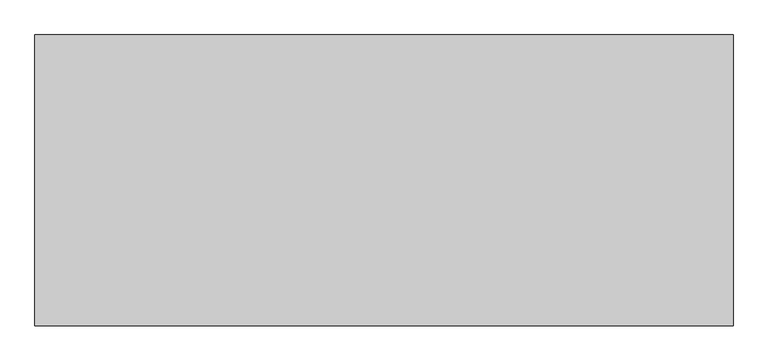
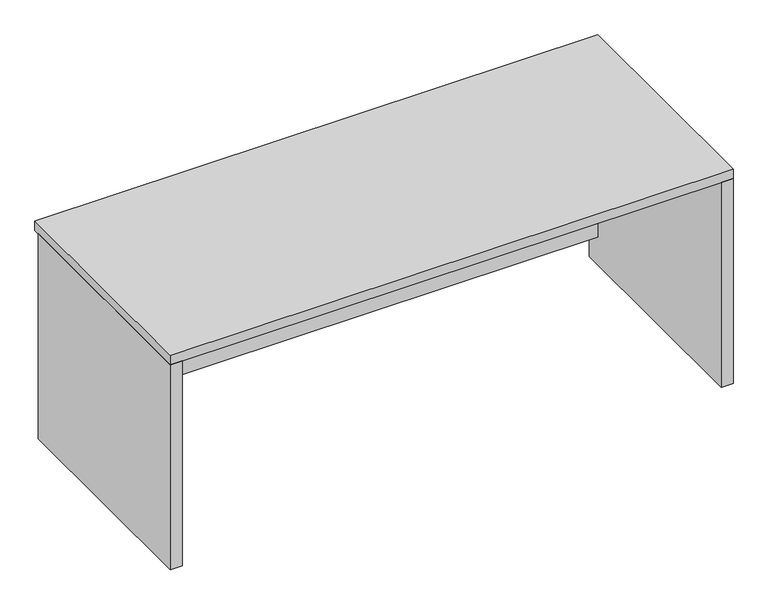
"""IFC4 building model written with IfcOpenShell, lengths in millimetres: furniture geometry."""

from ifc_helpers import new_model, si_unit, frame, origin, origin_with_axes, place, context, project, spatial, polyline, outline, extrude, source, transform, mapped, element, save


def furniture_e28d7493(model_context):
    return source(origin(), model_context, "Body", "SweptSolid", [
        extrude(outline(polyline([(1613.69375, -292.1), (1613.69375, -321.46875), (-137.31875, -321.46875), (-137.31875, -292.1), (1613.69375, -292.1)])), frame((0.0, 0.0, 95.25), z_axis=(0.0, 0.0, 1.0), x_axis=(1.0, 0.0, 0.0)), (0.0, 0.0, 1.0), 273.05),
        extrude(outline(polyline([(1613.69375, -292.1), (1613.69375, -321.46875), (-137.31875, -321.46875), (-137.31875, -292.1), (1613.69375, -292.1)])), frame((0.0, 0.0, 368.3), z_axis=(0.0, 0.0, 1.0), x_axis=(1.0, 0.0, 0.0)), (0.0, 0.0, 1.0), 273.05),
        extrude(outline(polyline([(1652.5875, -273.05), (1652.5875, -1016.0), (1613.69375, -1016.0), (1613.69375, -273.05), (1652.5875, -273.05)])), origin_with_axes(), (0.0, 0.0, 1.0), 704.85),
        extrude(outline(polyline([(-137.31875, -273.05), (-137.31875, -1016.0), (-176.2125, -1016.0), (-176.2125, -273.05), (-137.31875, -273.05)])), origin_with_axes(), (0.0, 0.0, 1.0), 704.85),
        extrude(outline(polyline([(1652.5875, -254.0), (1652.5875, -1016.0), (-176.2125, -1016.0), (-176.2125, -254.0), (1652.5875, -254.0)])), frame((0.0, 0.0, 704.85), z_axis=(0.0, 0.0, 1.0), x_axis=(1.0, 0.0, 0.0)), (0.0, 0.0, 1.0), 31.75),
    ])


if __name__ == "__main__":
    model = new_model("IFC4")
    model_context = context("Model", 3, world=origin())
    ifc_project = project(units=[si_unit("LENGTHUNIT", "METRE", prefix="MILLI")], contexts=[model_context])
    site = spatial("IfcSite", under=ifc_project)
    building = spatial("IfcBuilding", under=site)
    placement = place(None, origin())
    furniture_shape = furniture_e28d7493(model_context)
    element("IfcFurniture", 1, at=placement, inside=building, context=model_context, shape_type="MappedRepresentation", body=[
        mapped(furniture_shape, transform((0.0, 0.0, 0.0), x_axis=(1.0, 0.0, 0.0), y_axis=(0.0, 1.0, 0.0), z_axis=(0.0, 0.0, 1.0))),
    ])
    save(model, "model.ifc")
